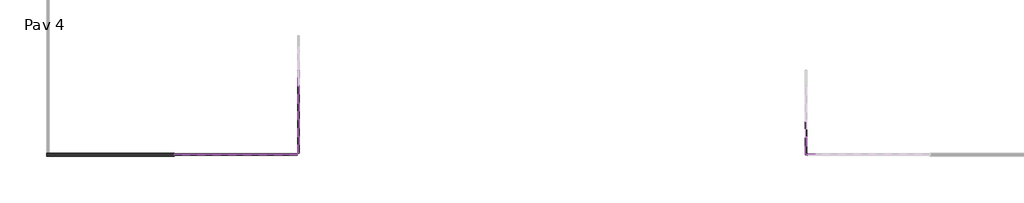
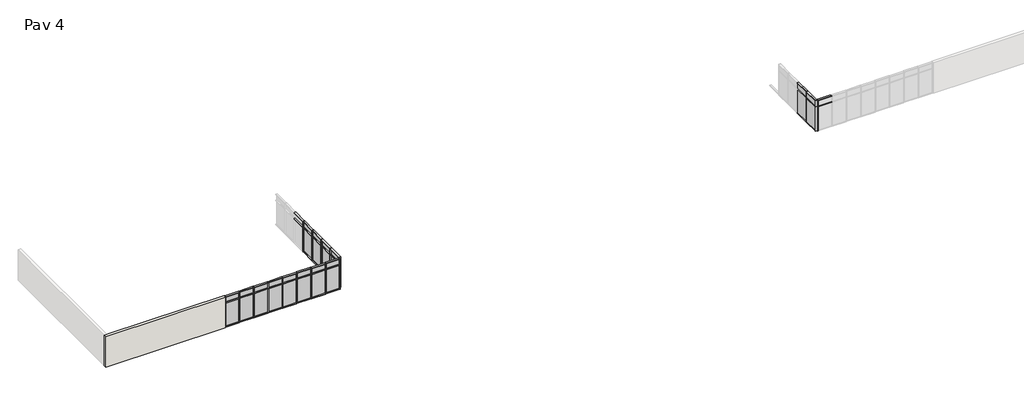
# One storey, part 1 of 12: 79 members, 28 plates, 1 wall.
"""IFC4 building model written with IfcOpenShell, lengths in millimetres."""

import ifcopenshell
import ifcopenshell.guid

model = None  # the IFC model being written
_history = None  # IfcOwnerHistory: only IFC2X3 demands one
_inside = {}  # id of a spatial element -> (the spatial element, [elements in it])
_under = {}  # id of a project, library or spatial element -> (it, [spatial elements below it])
_declared = {}  # id of a project -> (the project, [libraries it declares])
_typed = {}  # id of a type object -> (the type object, [elements of that type])
_made_of = {}  # id of a material, layer set ... -> (it, [elements and type objects made of it])


def new_model(schema):
    """Start an empty IFC model of exactly this schema.

    Asked for "IFC4X3", IfcOpenShell would pick the latest addendum, in which some entities
    have other attributes; the version numbers below select the first issue.
    IFC2X3 requires an IfcOwnerHistory on every rooted entity: one is made here for all.
    """
    global model, _history
    if schema == "IFC4X3":
        model = ifcopenshell.file(schema_version=(4, 3, 0, 0))
    else:
        model = ifcopenshell.file(schema=schema)
    _inside.clear()
    _under.clear()
    _declared.clear()
    _typed.clear()
    _made_of.clear()
    _history = None
    if model.schema == "IFC2X3":
        org = make("IfcOrganization", Name="unknown")
        user = make(
            "IfcPersonAndOrganization",
            ThePerson=make("IfcPerson", FamilyName="unknown"),
            TheOrganization=org,
        )
        app = make(
            "IfcApplication",
            ApplicationDeveloper=org,
            Version="unknown",
            ApplicationFullName="unknown",
            ApplicationIdentifier="unknown",
        )
        _history = make(
            "IfcOwnerHistory",
            OwningUser=user,
            OwningApplication=app,
            ChangeAction="ADDED",
            CreationDate=0,
        )
    return model


def make(cls, **values):
    """One entity of the class cls with the attributes given. An attribute that is None is left unset."""
    return model.create_entity(
        cls, **{name: value for name, value in values.items() if value is not None}
    )


def rooted(cls, **values):
    """An entity with a GlobalId (a new one), such as an element, a storey or a relation."""
    return make(cls, GlobalId=ifcopenshell.guid.new(), OwnerHistory=_history, **values)


def si_unit(unit_type, name, prefix=None):
    """IfcSIUnit, for example si_unit("LENGTHUNIT", "METRE", prefix="MILLI")."""
    return make("IfcSIUnit", UnitType=unit_type, Prefix=prefix, Name=name)


def assignment(units):
    """IfcUnitAssignment: the units of a project."""
    return None if units is None else make("IfcUnitAssignment", Units=units)


def point(xyz):
    """IfcCartesianPoint."""
    return None if xyz is None else make("IfcCartesianPoint", Coordinates=xyz)


def direction(xyz):
    """IfcDirection."""
    return None if xyz is None else make("IfcDirection", DirectionRatios=xyz)


def frame(location, z_axis=None, x_axis=None):
    """IfcAxis2Placement3D, a coordinate frame: its origin and axes. An axis left out is left unset."""
    return make(
        "IfcAxis2Placement3D",
        Location=point(location),
        Axis=direction(z_axis),
        RefDirection=direction(x_axis),
    )


def origin():
    """The frame at (0, 0, 0) with its axes left unset."""
    return frame((0.0, 0.0, 0.0))


def origin_with_axes():
    """The frame at (0, 0, 0) with the z axis (0, 0, 1) and the x axis (1, 0, 0) written out."""
    return frame((0.0, 0.0, 0.0), z_axis=(0.0, 0.0, 1.0), x_axis=(1.0, 0.0, 0.0))


def place(relative_to, where):
    """IfcLocalPlacement: puts the frame where relative to a parent placement (None: the world)."""
    return make(
        "IfcLocalPlacement", PlacementRelTo=relative_to, RelativePlacement=where
    )


def context(
    kind, dimensions, precision=None, world=None, true_north=None, identifier=None
):
    """IfcGeometricRepresentationContext, for example the 3D "Model" context."""
    return make(
        "IfcGeometricRepresentationContext",
        ContextIdentifier=identifier,
        ContextType=kind,
        CoordinateSpaceDimension=dimensions,
        Precision=precision,
        WorldCoordinateSystem=world,
        TrueNorth=true_north,
    )


def project(units=None, contexts=None):
    """IfcProject with its units and contexts."""
    return rooted(
        "IfcProject",
        Name="project",
        RepresentationContexts=contexts,
        UnitsInContext=assignment(units),
    )


def spatial(cls, under=None, at=None, **own):
    """A site, building, storey or space (cls), placed at a placement, below another one or the project."""
    s = rooted(cls, ObjectPlacement=at, **own)
    if under is not None:
        _under.setdefault(under.id(), (under, []))[1].append(s)
    return s


def polyline(points):
    """IfcPolyline through the points."""
    return make("IfcPolyline", Points=[point(p) for p in points])


def outline(outer, holes=None, kind="AREA"):
    """IfcArbitraryClosedProfileDef: a profile drawn as a closed curve; with holes, ...WithVoids."""
    if holes is None:
        return make("IfcArbitraryClosedProfileDef", ProfileType=kind, OuterCurve=outer)
    return make(
        "IfcArbitraryProfileDefWithVoids",
        ProfileType=kind,
        OuterCurve=outer,
        InnerCurves=holes,
    )


def extrude(swept, where, along, depth):
    """IfcExtrudedAreaSolid: the profile swept, set in the frame where, extruded along a direction by depth."""
    return make(
        "IfcExtrudedAreaSolid",
        SweptArea=swept,
        Position=where,
        ExtrudedDirection=direction(along),
        Depth=depth,
    )


def faces_of(points, faces, orient=None, outer=None):
    """IfcFace entities. A face is a list of loops; a loop is a list of indices into points, from 0.

    orient and outer hold one flag for each loop. By default every Orientation is true, the
    first loop of a face is its IfcFaceOuterBound and the others are IfcFaceBound.
    """
    made = []
    for i, loops in enumerate(faces):
        bounds = []
        for j, loop in enumerate(loops):
            is_outer = j == 0 if outer is None else outer[i][j]
            bounds.append(
                make(
                    "IfcFaceOuterBound" if is_outer else "IfcFaceBound",
                    Bound=make("IfcPolyLoop", Polygon=[points[k] for k in loop]),
                    Orientation=True if orient is None else orient[i][j],
                )
            )
        made.append(make("IfcFace", Bounds=bounds))
    return made


def faceted_brep(points, faces, orient=None, outer=None, voids=None):
    """IfcFacetedBrep: a solid bounded by flat faces; with voids (closed shells), ...WithVoids."""
    shared = [point(p) for p in points]
    hull = make("IfcClosedShell", CfsFaces=faces_of(shared, faces, orient, outer))
    if voids is None:
        return make("IfcFacetedBrep", Outer=hull)
    return make(
        "IfcFacetedBrepWithVoids",
        Outer=hull,
        Voids=[
            make(cls, CfsFaces=faces_of(shared, fs, o, b)) for cls, fs, o, b in voids
        ],
    )


def shape(context_of_items, identifier, shape_type, items):
    """IfcShapeRepresentation: the items that make up one representation, for example the "Body"."""
    return make(
        "IfcShapeRepresentation",
        ContextOfItems=context_of_items,
        RepresentationIdentifier=identifier,
        RepresentationType=shape_type,
        Items=items,
    )


def source(mapping_origin, context_of_items, identifier, shape_type, items):
    """IfcRepresentationMap: a shape defined once, which mapped items show again and again."""
    return make(
        "IfcRepresentationMap",
        MappingOrigin=mapping_origin,
        MappedRepresentation=shape(context_of_items, identifier, shape_type, items),
    )


def transform(
    local_origin,
    x_axis=None,
    y_axis=None,
    z_axis=None,
    scale=None,
    scale2=None,
    scale3=None,
    uniform=True,
):
    """IfcCartesianTransformationOperator3D, or its non-uniform kind. x_axis, y_axis, z_axis: its Axis1, 2, 3."""
    if uniform:
        return make(
            "IfcCartesianTransformationOperator3D",
            Axis1=direction(x_axis),
            Axis2=direction(y_axis),
            LocalOrigin=point(local_origin),
            Scale=scale,
            Axis3=direction(z_axis),
        )
    return make(
        "IfcCartesianTransformationOperator3DnonUniform",
        Axis1=direction(x_axis),
        Axis2=direction(y_axis),
        LocalOrigin=point(local_origin),
        Scale=scale,
        Axis3=direction(z_axis),
        Scale2=scale2,
        Scale3=scale3,
    )


def mapped(mapping_source, mapping_target):
    """IfcMappedItem: shows the shape of a source again, moved by a transform."""
    return make(
        "IfcMappedItem", MappingSource=mapping_source, MappingTarget=mapping_target
    )


def made_of(thing, what):
    """Note that an element or type object is made of a material, layer set ...; save() writes the relation."""
    if what is not None:
        _made_of.setdefault(what.id(), (what, []))[1].append(thing)
    return thing


def element(
    cls,
    number,
    at=None,
    inside=None,
    cuts=None,
    type_object=None,
    material=None,
    context=None,
    identifier="Body",
    shape_type=None,
    held_by="IfcProductDefinitionShape",
    body=None,
    shapes=None,
    **own,
):
    """One element of the class cls, such as IfcWall. Its Tag is "e" and its number.

    at: its placement. inside: the storey or other place that contains it. cuts: it is an
    opening in that element (IfcRelVoidsElement). A single representation is given by context,
    identifier, shape_type and body (its items); several are given by shapes. held_by: the class
    of the entity that holds the representations. save() writes the other relations.
    """
    e = rooted(cls, Tag="e%d" % number, ObjectPlacement=at, **own)
    if body is not None:
        shapes = [shape(context, identifier, shape_type, body)]
    if shapes is not None:
        e.Representation = make(held_by, Representations=shapes)
    if inside is not None:
        _inside.setdefault(inside.id(), (inside, []))[1].append(e)
    if cuts is not None:
        rooted(
            "IfcRelVoidsElement", RelatingBuildingElement=cuts, RelatedOpeningElement=e
        )
    if type_object is not None:
        _typed.setdefault(type_object.id(), (type_object, []))[1].append(e)
    return made_of(e, material)


def aggregate(whole, parts):
    """IfcRelAggregates: a whole, such as a stair, and the parts it consists of."""
    return rooted("IfcRelAggregates", RelatingObject=whole, RelatedObjects=parts)


def save(model, path):
    """Write the relations noted so far, then the file.

    IfcRelAggregates (storeys below a building ...), IfcRelContainedInSpatialStructure (elements
    in a storey), IfcRelDefinesByType, IfcRelAssociatesMaterial and IfcRelDeclares: one each for
    every whole, place, type object, material and project.
    """
    for whole, parts in _under.values():
        aggregate(whole, parts)
    for where, things in _inside.values():
        rooted(
            "IfcRelContainedInSpatialStructure",
            RelatedElements=things,
            RelatingStructure=where,
        )
    for kind, things in _typed.values():
        rooted("IfcRelDefinesByType", RelatedObjects=things, RelatingType=kind)
    for what, things in _made_of.values():
        rooted("IfcRelAssociatesMaterial", RelatedObjects=things, RelatingMaterial=what)
    for by, libraries in _declared.values():
        rooted("IfcRelDeclares", RelatingContext=by, RelatedDefinitions=libraries)
    model.write(path)


def rectangular_mullion_50_x_150mm_6225e4e3(model_context):
    return source(origin(), model_context, "Body", "SweptSolid", [
        extrude(outline(polyline([(25.0, 75.0), (25.0, -75.0), (-25.0, -75.0), (-25.0, 75.0), (25.0, 75.0)])), frame((0.0, 0.0, -2400.0), z_axis=(0.0, 0.0, 1.0), x_axis=(1.0, 0.0, 0.0)), (0.0, 0.0, 1.0), 2400.0),
    ])


def rectangular_mullion_50_x_150mm_662c37b1(model_context):
    return source(origin(), model_context, "Body", "SweptSolid", [
        extrude(outline(polyline([(0.0, 75.0), (0.0, -75.0), (-50.0, -75.0), (-50.0, 75.0), (0.0, 75.0)])), frame((0.0, 0.0, -2400.0), z_axis=(0.0, 0.0, 1.0), x_axis=(1.0, 0.0, 0.0)), (0.0, 0.0, 1.0), 2400.0),
    ])


def rectangular_mullion_50_x_150mm_323a7ce7(model_context):
    return source(origin(), model_context, "Body", "SweptSolid", [
        extrude(outline(polyline([(0.0, 75.0), (0.0, -75.0), (-50.0, -75.0), (-50.0, 75.0), (0.0, 75.0)])), frame((0.0, 0.0, -1398.6842105), z_axis=(0.0, 0.0, 1.0), x_axis=(1.0, 0.0, 0.0)), (0.0, 0.0, 1.0), 1398.6842105),
    ])


def rectangular_mullion_50_x_150mm_7c7b8d17(model_context):
    return source(origin(), model_context, "Body", "SweptSolid", [
        extrude(outline(polyline([(0.0, 75.0), (0.0, -75.0), (-50.0, -75.0), (-50.0, 75.0), (0.0, 75.0)])), frame((0.0, 0.0, -1423.6842105), z_axis=(0.0, 0.0, 1.0), x_axis=(1.0, 0.0, 0.0)), (0.0, 0.0, 1.0), 1423.6842105),
    ])


def rectangular_mullion_50_x_150mm_50592593(model_context):
    return source(origin(), model_context, "Body", "SweptSolid", [
        extrude(outline(polyline([(25.0, 75.0), (25.0, -75.0), (-25.0, -75.0), (-25.0, 75.0), (25.0, 75.0)])), frame((0.0, 0.0, -1398.6842105), z_axis=(0.0, 0.0, 1.0), x_axis=(1.0, 0.0, 0.0)), (0.0, 0.0, 1.0), 1398.6842105),
    ])


def rectangular_mullion_50_x_150mm_59cbe5eb(model_context):
    return source(origin(), model_context, "Body", "SweptSolid", [
        extrude(outline(polyline([(0.0, 75.0), (0.0, -75.0), (-50.0, -75.0), (-50.0, 75.0), (0.0, 75.0)])), frame((0.0, 0.0, -1262.5), z_axis=(0.0, 0.0, 1.0), x_axis=(1.0, 0.0, 0.0)), (0.0, 0.0, 1.0), 1262.5),
    ])


def rectangular_mullion_50_x_150mm_72ba9142(model_context):
    return source(origin(), model_context, "Body", "SweptSolid", [
        extrude(outline(polyline([(0.0, 75.0), (0.0, -75.0), (-50.0, -75.0), (-50.0, 75.0), (0.0, 75.0)])), frame((0.0, 0.0, -1287.5), z_axis=(0.0, 0.0, 1.0), x_axis=(1.0, 0.0, 0.0)), (0.0, 0.0, 1.0), 1287.5),
    ])


def rectangular_mullion_50_x_150mm_aec1dccf(model_context):
    return source(origin(), model_context, "Body", "SweptSolid", [
        extrude(outline(polyline([(25.0, 75.0), (25.0, -75.0), (-25.0, -75.0), (-25.0, 75.0), (25.0, 75.0)])), frame((0.0, 0.0, -1262.5), z_axis=(0.0, 0.0, 1.0), x_axis=(1.0, 0.0, 0.0)), (0.0, 0.0, 1.0), 1262.5),
    ])


def rectangular_mullion_50_x_150mm_9d32843e(model_context):
    return source(origin(), model_context, "Body", "SweptSolid", [
        extrude(outline(polyline([(25.0, 75.0), (25.0, -75.0), (-25.0, -75.0), (-25.0, 75.0), (25.0, 75.0)])), frame((0.0, 0.0, -1287.5), z_axis=(0.0, 0.0, 1.0), x_axis=(1.0, 0.0, 0.0)), (0.0, 0.0, 1.0), 1287.5),
    ])


def rectangular_mullion_50_x_150mm_8b0a0560(model_context):
    return source(origin(), model_context, "Body", "SweptSolid", [
        extrude(outline(polyline([(0.0, 75.0), (0.0, -75.0), (-50.0, -75.0), (-50.0, 75.0), (0.0, 75.0)])), frame((0.0, 0.0, -2350.0), z_axis=(0.0, 0.0, 1.0), x_axis=(1.0, 0.0, 0.0)), (0.0, 0.0, 1.0), 2350.0),
    ])


def rectangular_mullion_50_x_150mm_68b3818a(model_context):
    return source(origin(), model_context, "Body", "SweptSolid", [
        extrude(outline(polyline([(25.0, 75.0), (25.0, -75.0), (-25.0, -75.0), (-25.0, 75.0), (25.0, 75.0)])), frame((0.0, 0.0, -600.0), z_axis=(0.0, 0.0, 1.0), x_axis=(1.0, 0.0, 0.0)), (0.0, 0.0, 1.0), 600.0),
    ])


def rectangular_mullion_50_x_150mm_64d38db8(model_context):
    return source(origin(), model_context, "Body", "SweptSolid", [
        extrude(outline(polyline([(0.0, 75.0), (0.0, -75.0), (-50.0, -75.0), (-50.0, 75.0), (0.0, 75.0)])), frame((0.0, 0.0, -600.0), z_axis=(0.0, 0.0, 1.0), x_axis=(1.0, 0.0, 0.0)), (0.0, 0.0, 1.0), 600.0),
    ])


def rectangular_mullion_50_x_150mm_95ea7787(model_context):
    return source(origin(), model_context, "Body", "SweptSolid", [
        extrude(outline(polyline([(0.0, 75.0), (0.0, -75.0), (-50.0, -75.0), (-50.0, 75.0), (0.0, 75.0)])), frame((0.0, 0.0, -1386.8421053), z_axis=(0.0, 0.0, 1.0), x_axis=(1.0, 0.0, 0.0)), (0.0, 0.0, 1.0), 1386.8421053),
    ])


def rectangular_mullion_50_x_150mm_8eb15256(model_context):
    return source(origin(), model_context, "Body", "SweptSolid", [
        extrude(outline(polyline([(0.0, 75.0), (0.0, -75.0), (-50.0, -75.0), (-50.0, 75.0), (0.0, 75.0)])), frame((0.0, 0.0, -1411.8421053), z_axis=(0.0, 0.0, 1.0), x_axis=(1.0, 0.0, 0.0)), (0.0, 0.0, 1.0), 1411.8421053),
    ])


def rectangular_mullion_50_x_150mm_c6a40906(model_context):
    return source(origin(), model_context, "Body", "SweptSolid", [
        extrude(outline(polyline([(0.0, 75.0), (0.0, -75.0), (-50.0, -75.0), (-50.0, 75.0), (0.0, 75.0)])), frame((0.0, 0.0, -1436.8421053), z_axis=(0.0, 0.0, 1.0), x_axis=(1.0, 0.0, 0.0)), (0.0, 0.0, 1.0), 1436.8421053),
    ])


def rectangular_mullion_50_x_150mm_6f85072f(model_context):
    return source(origin(), model_context, "Body", "SweptSolid", [
        extrude(outline(polyline([(25.0, 75.0), (25.0, -75.0), (-25.0, -75.0), (-25.0, 75.0), (25.0, 75.0)])), frame((0.0, 0.0, -1386.8421053), z_axis=(0.0, 0.0, 1.0), x_axis=(1.0, 0.0, 0.0)), (0.0, 0.0, 1.0), 1386.8421053),
    ])


def rectangular_mullion_50_x_150mm_c8002cd6(model_context):
    return source(origin(), model_context, "Body", "SweptSolid", [
        extrude(outline(polyline([(25.0, 75.0), (25.0, -75.0), (-25.0, -75.0), (-25.0, 75.0), (25.0, 75.0)])), frame((0.0, 0.0, -1411.8421053), z_axis=(0.0, 0.0, 1.0), x_axis=(1.0, 0.0, 0.0)), (0.0, 0.0, 1.0), 1411.8421053),
    ])


def system_panel_glazed_656f515c(model_context):
    return source(origin(), model_context, "Body", "SweptSolid", [
        extrude(outline(polyline([(699.3421053, 24.5), (-699.3421053, 24.5), (-699.3421053, 49.5), (699.3421053, 49.5), (699.3421053, 24.5)])), origin_with_axes(), (0.0, 0.0, 1.0), 2325.0),
    ])


def system_panel_glazed_e350fe68(model_context):
    return source(origin(), model_context, "Body", "SweptSolid", [
        extrude(outline(polyline([(711.8421053, 24.5), (-711.8421053, 24.5), (-711.8421053, 49.5), (711.8421053, 49.5), (711.8421053, 24.5)])), origin_with_axes(), (0.0, 0.0, 1.0), 2325.0),
    ])


def system_panel_glazed_5dd155e4(model_context):
    return source(origin(), model_context, "Body", "SweptSolid", [
        extrude(outline(polyline([(631.25, 24.5), (-631.25, 24.5), (-631.25, 49.5), (631.25, 49.5), (631.25, 24.5)])), origin_with_axes(), (0.0, 0.0, 1.0), 2325.0),
    ])


def system_panel_glazed_bb5f2c3c(model_context):
    return source(origin(), model_context, "Body", "SweptSolid", [
        extrude(outline(polyline([(643.75, 24.5), (-643.75, 24.5), (-643.75, 49.5), (643.75, 49.5), (643.75, 24.5)])), origin_with_axes(), (0.0, 0.0, 1.0), 2325.0),
    ])


def system_panel_glazed_02dfb2dd(model_context):
    return source(origin(), model_context, "Body", "SweptSolid", [
        extrude(outline(polyline([(631.25, 24.5), (-631.25, 24.5), (-631.25, 49.5), (631.25, 49.5), (631.25, 24.5)])), origin_with_axes(), (0.0, 0.0, 1.0), 525.0),
    ])


def system_panel_glazed_a7b8456a(model_context):
    return source(origin(), model_context, "Body", "SweptSolid", [
        extrude(outline(polyline([(643.75, 24.5), (-643.75, 24.5), (-643.75, 49.5), (643.75, 49.5), (643.75, 24.5)])), origin_with_axes(), (0.0, 0.0, 1.0), 525.0),
    ])


def system_panel_glazed_5de65db9(model_context):
    return source(origin(), model_context, "Body", "SweptSolid", [
        extrude(outline(polyline([(699.3421053, 24.5), (-699.3421053, 24.5), (-699.3421053, 49.5), (699.3421053, 49.5), (699.3421053, 24.5)])), origin_with_axes(), (0.0, 0.0, 1.0), 525.0),
    ])


def system_panel_glazed_b8c7c870(model_context):
    return source(origin(), model_context, "Body", "SweptSolid", [
        extrude(outline(polyline([(711.8421053, 24.5), (-711.8421053, 24.5), (-711.8421053, 49.5), (711.8421053, 49.5), (711.8421053, 24.5)])), origin_with_axes(), (0.0, 0.0, 1.0), 525.0),
    ])


def system_panel_glazed_f50082bd(model_context):
    return source(origin(), model_context, "Body", "SweptSolid", [
        extrude(outline(polyline([(693.4210526, 24.5), (-693.4210526, 24.5), (-693.4210526, 49.5), (693.4210526, 49.5), (693.4210526, 24.5)])), origin_with_axes(), (0.0, 0.0, 1.0), 2325.0),
    ])


def system_panel_glazed_f9fb9fb3(model_context):
    return source(origin(), model_context, "Body", "SweptSolid", [
        extrude(outline(polyline([(705.9210526, 24.5), (-705.9210526, 24.5), (-705.9210526, 49.5), (705.9210526, 49.5), (705.9210526, 24.5)])), origin_with_axes(), (0.0, 0.0, 1.0), 2325.0),
    ])


def system_panel_glazed_bc94fa0a(model_context):
    return source(origin(), model_context, "Body", "SweptSolid", [
        extrude(outline(polyline([(693.4210526, 24.5), (-693.4210526, 24.5), (-693.4210526, 49.5), (693.4210526, 49.5), (693.4210526, 24.5)])), origin_with_axes(), (0.0, 0.0, 1.0), 525.0),
    ])


def system_panel_glazed_dbb45631(model_context):
    return source(origin(), model_context, "Body", "SweptSolid", [
        extrude(outline(polyline([(705.9210526, 24.5), (-705.9210526, 24.5), (-705.9210526, 49.5), (705.9210526, 49.5), (705.9210526, 24.5)])), origin_with_axes(), (0.0, 0.0, 1.0), 525.0),
    ])


model = new_model("IFC4")

# Units and contexts
model_context = context("Model", 3, world=origin())
ifc_project = project(units=[si_unit("LENGTHUNIT", "METRE", prefix="MILLI")], contexts=[model_context])

# Site, building, storey
site = spatial("IfcSite", under=ifc_project)
building = spatial("IfcBuilding", under=site)
storey = spatial("IfcBuildingStorey", under=building, Name="Pav 4", Elevation=16000.0)

# Members
placement = place(None, origin())
rectangular_mullion_50_x_150mm_shape = rectangular_mullion_50_x_150mm_6225e4e3(model_context)
element("IfcMember", 1, ObjectType="Rectangular Mullion : 50 x 150mm", at=placement, inside=storey, context=model_context, shape_type="MappedRepresentation", body=[
    mapped(rectangular_mullion_50_x_150mm_shape, transform((-12762.3640117, -435.2877583, 16000.0), x_axis=(0.0, -1.0, 0.0), y_axis=(-1.0, 0.0, 0.0), z_axis=(0.0, 0.0, -1.0))),
])
element("IfcMember", 2, ObjectType="Rectangular Mullion : 50 x 150mm", at=placement, inside=storey, context=model_context, shape_type="MappedRepresentation", body=[
    mapped(rectangular_mullion_50_x_150mm_shape, transform((-12762.3640117, -1897.1298636, 16000.0), x_axis=(0.0, -1.0, 0.0), y_axis=(-1.0, 0.0, 0.0), z_axis=(0.0, 0.0, -1.0))),
])
element("IfcMember", 3, ObjectType="Rectangular Mullion : 50 x 150mm", at=placement, inside=storey, context=model_context, shape_type="MappedRepresentation", body=[
    mapped(rectangular_mullion_50_x_150mm_shape, transform((-12762.3640117, -3358.9719688, 16000.0), x_axis=(0.0, -1.0, 0.0), y_axis=(-1.0, 0.0, 0.0), z_axis=(0.0, 0.0, -1.0))),
])
element("IfcMember", 4, ObjectType="Rectangular Mullion : 50 x 150mm", at=placement, inside=storey, context=model_context, shape_type="MappedRepresentation", body=[
    mapped(rectangular_mullion_50_x_150mm_shape, transform((-12762.3640117, -4820.8140741, 16000.0), x_axis=(0.0, -1.0, 0.0), y_axis=(-1.0, 0.0, 0.0), z_axis=(0.0, 0.0, -1.0))),
])
element("IfcMember", 5, ObjectType="Rectangular Mullion : 50 x 150mm", at=placement, inside=storey, context=model_context, shape_type="MappedRepresentation", body=[
    mapped(rectangular_mullion_50_x_150mm_shape, transform((31437.6359883, -4933.9719688, 16000.0), x_axis=(0.0, 1.0, 0.0), y_axis=(1.0, 0.0, 0.0), z_axis=(0.0, 0.0, -1.0))),
])
element("IfcMember", 6, ObjectType="Rectangular Mullion : 50 x 150mm", at=placement, inside=storey, context=model_context, shape_type="MappedRepresentation", body=[
    mapped(rectangular_mullion_50_x_150mm_shape, transform((-22224.8640117, -6407.6561793, 16000.0), x_axis=(1.0, 0.0, 0.0), y_axis=(0.0, -1.0, 0.0), z_axis=(0.0, 0.0, -1.0))),
])
element("IfcMember", 7, ObjectType="Rectangular Mullion : 50 x 150mm", at=placement, inside=storey, context=model_context, shape_type="MappedRepresentation", body=[
    mapped(rectangular_mullion_50_x_150mm_shape, transform((-20887.3640117, -6407.6561793, 16000.0), x_axis=(1.0, 0.0, 0.0), y_axis=(0.0, -1.0, 0.0), z_axis=(0.0, 0.0, -1.0))),
])
element("IfcMember", 8, ObjectType="Rectangular Mullion : 50 x 150mm", at=placement, inside=storey, context=model_context, shape_type="MappedRepresentation", body=[
    mapped(rectangular_mullion_50_x_150mm_shape, transform((-19549.8640117, -6407.6561793, 16000.0), x_axis=(1.0, 0.0, 0.0), y_axis=(0.0, -1.0, 0.0), z_axis=(0.0, 0.0, -1.0))),
])
element("IfcMember", 9, ObjectType="Rectangular Mullion : 50 x 150mm", at=placement, inside=storey, context=model_context, shape_type="MappedRepresentation", body=[
    mapped(rectangular_mullion_50_x_150mm_shape, transform((-18212.3640117, -6407.6561793, 16000.0), x_axis=(1.0, 0.0, 0.0), y_axis=(0.0, -1.0, 0.0), z_axis=(0.0, 0.0, -1.0))),
])
element("IfcMember", 10, ObjectType="Rectangular Mullion : 50 x 150mm", at=placement, inside=storey, context=model_context, shape_type="MappedRepresentation", body=[
    mapped(rectangular_mullion_50_x_150mm_shape, transform((-16874.8640117, -6407.6561793, 16000.0), x_axis=(1.0, 0.0, 0.0), y_axis=(0.0, -1.0, 0.0), z_axis=(0.0, 0.0, -1.0))),
])
element("IfcMember", 11, ObjectType="Rectangular Mullion : 50 x 150mm", at=placement, inside=storey, context=model_context, shape_type="MappedRepresentation", body=[
    mapped(rectangular_mullion_50_x_150mm_shape, transform((-15537.3640117, -6407.6561793, 16000.0), x_axis=(1.0, 0.0, 0.0), y_axis=(0.0, -1.0, 0.0), z_axis=(0.0, 0.0, -1.0))),
])
element("IfcMember", 12, ObjectType="Rectangular Mullion : 50 x 150mm", at=placement, inside=storey, context=model_context, shape_type="MappedRepresentation", body=[
    mapped(rectangular_mullion_50_x_150mm_shape, transform((-14199.8640117, -6407.6561793, 16000.0), x_axis=(1.0, 0.0, 0.0), y_axis=(0.0, -1.0, 0.0), z_axis=(0.0, 0.0, -1.0))),
])
rectangular_mullion_50_x_150mm_2_shape = rectangular_mullion_50_x_150mm_662c37b1(model_context)
element("IfcMember", 13, ObjectType="Rectangular Mullion : 50 x 150mm", at=placement, inside=storey, context=model_context, shape_type="MappedRepresentation", body=[
    mapped(rectangular_mullion_50_x_150mm_2_shape, transform((31537.6359883, -6407.6561793, 16000.0), x_axis=(-1.0, 0.0, 0.0), y_axis=(0.0, 1.0, 0.0), z_axis=(0.0, 0.0, -1.0))),
])
element("IfcMember", 14, ObjectType="Rectangular Mullion : 50 x 150mm", at=placement, inside=storey, context=model_context, shape_type="MappedRepresentation", body=[
    mapped(rectangular_mullion_50_x_150mm_2_shape, transform((-12862.3640117, -6407.6561793, 16000.0), x_axis=(1.0, 0.0, 0.0), y_axis=(0.0, -1.0, 0.0), z_axis=(0.0, 0.0, -1.0))),
])
element("IfcMember", 15, ObjectType="Rectangular Mullion : 50 x 150mm", at=placement, inside=storey, context=model_context, shape_type="MappedRepresentation", body=[
    mapped(rectangular_mullion_50_x_150mm_2_shape, transform((31437.6359883, -6407.6561793, 18400.0), x_axis=(0.0, -1.0, 0.0), y_axis=(1.0, 0.0, 0.0), z_axis=(0.0, 0.0, 1.0))),
])
element("IfcMember", 16, ObjectType="Rectangular Mullion : 50 x 150mm", at=placement, inside=storey, context=model_context, shape_type="MappedRepresentation", body=[
    mapped(rectangular_mullion_50_x_150mm_2_shape, transform((-23562.3640117, -6407.6561793, 18400.0), x_axis=(-1.0, 0.0, 0.0), y_axis=(0.0, -1.0, 0.0), z_axis=(0.0, 0.0, 1.0))),
])
rectangular_mullion_50_x_150mm_3_shape = rectangular_mullion_50_x_150mm_323a7ce7(model_context)
element("IfcMember", 17, ObjectType="Rectangular Mullion : 50 x 150mm", at=placement, inside=storey, context=model_context, shape_type="MappedRepresentation", body=[
    mapped(rectangular_mullion_50_x_150mm_3_shape, transform((31437.6359883, -4958.9719688, 19000.0), x_axis=(0.0, 0.0, 1.0), y_axis=(1.0, 0.0, 0.0), z_axis=(0.0, 1.0, 0.0))),
])
element("IfcMember", 18, ObjectType="Rectangular Mullion : 50 x 150mm", at=placement, inside=storey, context=model_context, shape_type="MappedRepresentation", body=[
    mapped(rectangular_mullion_50_x_150mm_3_shape, transform((31437.6359883, -6357.6561793, 16000.0), x_axis=(0.0, 0.0, -1.0), y_axis=(1.0, 0.0, 0.0), z_axis=(0.0, -1.0, 0.0))),
])
rectangular_mullion_50_x_150mm_4_shape = rectangular_mullion_50_x_150mm_7c7b8d17(model_context)
element("IfcMember", 19, ObjectType="Rectangular Mullion : 50 x 150mm", at=placement, inside=storey, context=model_context, shape_type="MappedRepresentation", body=[
    mapped(rectangular_mullion_50_x_150mm_4_shape, transform((31437.6359883, -3485.2877583, 19000.0), x_axis=(0.0, 0.0, 1.0), y_axis=(1.0, 0.0, 0.0), z_axis=(0.0, 1.0, 0.0))),
])
element("IfcMember", 20, ObjectType="Rectangular Mullion : 50 x 150mm", at=placement, inside=storey, context=model_context, shape_type="MappedRepresentation", body=[
    mapped(rectangular_mullion_50_x_150mm_4_shape, transform((31437.6359883, -4908.9719688, 16000.0), x_axis=(0.0, 0.0, -1.0), y_axis=(1.0, 0.0, 0.0), z_axis=(0.0, -1.0, 0.0))),
])
rectangular_mullion_50_x_150mm_5_shape = rectangular_mullion_50_x_150mm_50592593(model_context)
element("IfcMember", 21, ObjectType="Rectangular Mullion : 50 x 150mm", at=placement, inside=storey, context=model_context, shape_type="MappedRepresentation", body=[
    mapped(rectangular_mullion_50_x_150mm_5_shape, transform((31437.6359883, -4958.9719688, 18400.0), x_axis=(0.0, 0.0, 1.0), y_axis=(1.0, 0.0, 0.0), z_axis=(0.0, 1.0, 0.0))),
])
rectangular_mullion_50_x_150mm_6_shape = rectangular_mullion_50_x_150mm_59cbe5eb(model_context)
element("IfcMember", 22, ObjectType="Rectangular Mullion : 50 x 150mm", at=placement, inside=storey, context=model_context, shape_type="MappedRepresentation", body=[
    mapped(rectangular_mullion_50_x_150mm_6_shape, transform((31587.6359883, -6407.6561793, 19000.0), x_axis=(0.0, 0.0, 1.0), y_axis=(0.0, 1.0, 0.0), z_axis=(-1.0, 0.0, 0.0))),
])
element("IfcMember", 23, ObjectType="Rectangular Mullion : 50 x 150mm", at=placement, inside=storey, context=model_context, shape_type="MappedRepresentation", body=[
    mapped(rectangular_mullion_50_x_150mm_6_shape, transform((-12912.3640117, -6407.6561793, 19000.0), x_axis=(0.0, 0.0, 1.0), y_axis=(0.0, -1.0, 0.0), z_axis=(1.0, 0.0, 0.0))),
])
element("IfcMember", 24, ObjectType="Rectangular Mullion : 50 x 150mm", at=placement, inside=storey, context=model_context, shape_type="MappedRepresentation", body=[
    mapped(rectangular_mullion_50_x_150mm_6_shape, transform((-22249.8640117, -6407.6561793, 19000.0), x_axis=(0.0, 0.0, 1.0), y_axis=(0.0, -1.0, 0.0), z_axis=(1.0, 0.0, 0.0))),
])
rectangular_mullion_50_x_150mm_7_shape = rectangular_mullion_50_x_150mm_72ba9142(model_context)
element("IfcMember", 25, ObjectType="Rectangular Mullion : 50 x 150mm", at=placement, inside=storey, context=model_context, shape_type="MappedRepresentation", body=[
    mapped(rectangular_mullion_50_x_150mm_7_shape, transform((-20912.3640117, -6407.6561793, 19000.0), x_axis=(0.0, 0.0, 1.0), y_axis=(0.0, -1.0, 0.0), z_axis=(1.0, 0.0, 0.0))),
])
element("IfcMember", 26, ObjectType="Rectangular Mullion : 50 x 150mm", at=placement, inside=storey, context=model_context, shape_type="MappedRepresentation", body=[
    mapped(rectangular_mullion_50_x_150mm_7_shape, transform((-19574.8640117, -6407.6561793, 19000.0), x_axis=(0.0, 0.0, 1.0), y_axis=(0.0, -1.0, 0.0), z_axis=(1.0, 0.0, 0.0))),
])
element("IfcMember", 27, ObjectType="Rectangular Mullion : 50 x 150mm", at=placement, inside=storey, context=model_context, shape_type="MappedRepresentation", body=[
    mapped(rectangular_mullion_50_x_150mm_7_shape, transform((-18237.3640117, -6407.6561793, 19000.0), x_axis=(0.0, 0.0, 1.0), y_axis=(0.0, -1.0, 0.0), z_axis=(1.0, 0.0, 0.0))),
])
element("IfcMember", 28, ObjectType="Rectangular Mullion : 50 x 150mm", at=placement, inside=storey, context=model_context, shape_type="MappedRepresentation", body=[
    mapped(rectangular_mullion_50_x_150mm_7_shape, transform((-16899.8640117, -6407.6561793, 19000.0), x_axis=(0.0, 0.0, 1.0), y_axis=(0.0, -1.0, 0.0), z_axis=(1.0, 0.0, 0.0))),
])
element("IfcMember", 29, ObjectType="Rectangular Mullion : 50 x 150mm", at=placement, inside=storey, context=model_context, shape_type="MappedRepresentation", body=[
    mapped(rectangular_mullion_50_x_150mm_7_shape, transform((-15562.3640117, -6407.6561793, 19000.0), x_axis=(0.0, 0.0, 1.0), y_axis=(0.0, -1.0, 0.0), z_axis=(1.0, 0.0, 0.0))),
])
element("IfcMember", 30, ObjectType="Rectangular Mullion : 50 x 150mm", at=placement, inside=storey, context=model_context, shape_type="MappedRepresentation", body=[
    mapped(rectangular_mullion_50_x_150mm_7_shape, transform((-14224.8640117, -6407.6561793, 19000.0), x_axis=(0.0, 0.0, 1.0), y_axis=(0.0, -1.0, 0.0), z_axis=(1.0, 0.0, 0.0))),
])
element("IfcMember", 31, ObjectType="Rectangular Mullion : 50 x 150mm", at=placement, inside=storey, context=model_context, shape_type="MappedRepresentation", body=[
    mapped(rectangular_mullion_50_x_150mm_6_shape, transform((-23512.3640117, -6407.6561793, 16000.0), x_axis=(0.0, 0.0, -1.0), y_axis=(0.0, -1.0, 0.0), z_axis=(-1.0, 0.0, 0.0))),
])
element("IfcMember", 32, ObjectType="Rectangular Mullion : 50 x 150mm", at=placement, inside=storey, context=model_context, shape_type="MappedRepresentation", body=[
    mapped(rectangular_mullion_50_x_150mm_6_shape, transform((-14174.8640117, -6407.6561793, 16000.0), x_axis=(0.0, 0.0, -1.0), y_axis=(0.0, -1.0, 0.0), z_axis=(-1.0, 0.0, 0.0))),
])
element("IfcMember", 33, ObjectType="Rectangular Mullion : 50 x 150mm", at=placement, inside=storey, context=model_context, shape_type="MappedRepresentation", body=[
    mapped(rectangular_mullion_50_x_150mm_7_shape, transform((-22199.8640117, -6407.6561793, 16000.0), x_axis=(0.0, 0.0, -1.0), y_axis=(0.0, -1.0, 0.0), z_axis=(-1.0, 0.0, 0.0))),
])
element("IfcMember", 34, ObjectType="Rectangular Mullion : 50 x 150mm", at=placement, inside=storey, context=model_context, shape_type="MappedRepresentation", body=[
    mapped(rectangular_mullion_50_x_150mm_7_shape, transform((-20862.3640117, -6407.6561793, 16000.0), x_axis=(0.0, 0.0, -1.0), y_axis=(0.0, -1.0, 0.0), z_axis=(-1.0, 0.0, 0.0))),
])
element("IfcMember", 35, ObjectType="Rectangular Mullion : 50 x 150mm", at=placement, inside=storey, context=model_context, shape_type="MappedRepresentation", body=[
    mapped(rectangular_mullion_50_x_150mm_7_shape, transform((-19524.8640117, -6407.6561793, 16000.0), x_axis=(0.0, 0.0, -1.0), y_axis=(0.0, -1.0, 0.0), z_axis=(-1.0, 0.0, 0.0))),
])
element("IfcMember", 36, ObjectType="Rectangular Mullion : 50 x 150mm", at=placement, inside=storey, context=model_context, shape_type="MappedRepresentation", body=[
    mapped(rectangular_mullion_50_x_150mm_7_shape, transform((-18187.3640117, -6407.6561793, 16000.0), x_axis=(0.0, 0.0, -1.0), y_axis=(0.0, -1.0, 0.0), z_axis=(-1.0, 0.0, 0.0))),
])
element("IfcMember", 37, ObjectType="Rectangular Mullion : 50 x 150mm", at=placement, inside=storey, context=model_context, shape_type="MappedRepresentation", body=[
    mapped(rectangular_mullion_50_x_150mm_7_shape, transform((-16849.8640117, -6407.6561793, 16000.0), x_axis=(0.0, 0.0, -1.0), y_axis=(0.0, -1.0, 0.0), z_axis=(-1.0, 0.0, 0.0))),
])
element("IfcMember", 38, ObjectType="Rectangular Mullion : 50 x 150mm", at=placement, inside=storey, context=model_context, shape_type="MappedRepresentation", body=[
    mapped(rectangular_mullion_50_x_150mm_7_shape, transform((-15512.3640117, -6407.6561793, 16000.0), x_axis=(0.0, 0.0, -1.0), y_axis=(0.0, -1.0, 0.0), z_axis=(-1.0, 0.0, 0.0))),
])
rectangular_mullion_50_x_150mm_8_shape = rectangular_mullion_50_x_150mm_aec1dccf(model_context)
element("IfcMember", 39, ObjectType="Rectangular Mullion : 50 x 150mm", at=placement, inside=storey, context=model_context, shape_type="MappedRepresentation", body=[
    mapped(rectangular_mullion_50_x_150mm_8_shape, transform((31587.6359883, -6407.6561793, 18400.0), x_axis=(0.0, 0.0, 1.0), y_axis=(0.0, 1.0, 0.0), z_axis=(-1.0, 0.0, 0.0))),
])
element("IfcMember", 40, ObjectType="Rectangular Mullion : 50 x 150mm", at=placement, inside=storey, context=model_context, shape_type="MappedRepresentation", body=[
    mapped(rectangular_mullion_50_x_150mm_8_shape, transform((-22249.8640117, -6407.6561793, 18400.0), x_axis=(0.0, 0.0, 1.0), y_axis=(0.0, -1.0, 0.0), z_axis=(1.0, 0.0, 0.0))),
])
element("IfcMember", 41, ObjectType="Rectangular Mullion : 50 x 150mm", at=placement, inside=storey, context=model_context, shape_type="MappedRepresentation", body=[
    mapped(rectangular_mullion_50_x_150mm_8_shape, transform((-12912.3640117, -6407.6561793, 18400.0), x_axis=(0.0, 0.0, 1.0), y_axis=(0.0, -1.0, 0.0), z_axis=(1.0, 0.0, 0.0))),
])
rectangular_mullion_50_x_150mm_9_shape = rectangular_mullion_50_x_150mm_9d32843e(model_context)
element("IfcMember", 42, ObjectType="Rectangular Mullion : 50 x 150mm", at=placement, inside=storey, context=model_context, shape_type="MappedRepresentation", body=[
    mapped(rectangular_mullion_50_x_150mm_9_shape, transform((-20912.3640117, -6407.6561793, 18400.0), x_axis=(0.0, 0.0, 1.0), y_axis=(0.0, -1.0, 0.0), z_axis=(1.0, 0.0, 0.0))),
])
element("IfcMember", 43, ObjectType="Rectangular Mullion : 50 x 150mm", at=placement, inside=storey, context=model_context, shape_type="MappedRepresentation", body=[
    mapped(rectangular_mullion_50_x_150mm_9_shape, transform((-19574.8640117, -6407.6561793, 18400.0), x_axis=(0.0, 0.0, 1.0), y_axis=(0.0, -1.0, 0.0), z_axis=(1.0, 0.0, 0.0))),
])
element("IfcMember", 44, ObjectType="Rectangular Mullion : 50 x 150mm", at=placement, inside=storey, context=model_context, shape_type="MappedRepresentation", body=[
    mapped(rectangular_mullion_50_x_150mm_9_shape, transform((-18237.3640117, -6407.6561793, 18400.0), x_axis=(0.0, 0.0, 1.0), y_axis=(0.0, -1.0, 0.0), z_axis=(1.0, 0.0, 0.0))),
])
element("IfcMember", 45, ObjectType="Rectangular Mullion : 50 x 150mm", at=placement, inside=storey, context=model_context, shape_type="MappedRepresentation", body=[
    mapped(rectangular_mullion_50_x_150mm_9_shape, transform((-16899.8640117, -6407.6561793, 18400.0), x_axis=(0.0, 0.0, 1.0), y_axis=(0.0, -1.0, 0.0), z_axis=(1.0, 0.0, 0.0))),
])
element("IfcMember", 46, ObjectType="Rectangular Mullion : 50 x 150mm", at=placement, inside=storey, context=model_context, shape_type="MappedRepresentation", body=[
    mapped(rectangular_mullion_50_x_150mm_9_shape, transform((-15562.3640117, -6407.6561793, 18400.0), x_axis=(0.0, 0.0, 1.0), y_axis=(0.0, -1.0, 0.0), z_axis=(1.0, 0.0, 0.0))),
])
element("IfcMember", 47, ObjectType="Rectangular Mullion : 50 x 150mm", at=placement, inside=storey, context=model_context, shape_type="MappedRepresentation", body=[
    mapped(rectangular_mullion_50_x_150mm_9_shape, transform((-14224.8640117, -6407.6561793, 18400.0), x_axis=(0.0, 0.0, 1.0), y_axis=(0.0, -1.0, 0.0), z_axis=(1.0, 0.0, 0.0))),
])
rectangular_mullion_50_x_150mm_10_shape = rectangular_mullion_50_x_150mm_8b0a0560(model_context)
element("IfcMember", 48, ObjectType="Rectangular Mullion : 50 x 150mm", at=placement, inside=storey, context=model_context, shape_type="MappedRepresentation", body=[
    mapped(rectangular_mullion_50_x_150mm_10_shape, transform((-12762.3640117, -6282.6561793, 16050.0), x_axis=(0.0, -1.0, 0.0), y_axis=(-1.0, 0.0, 0.0), z_axis=(0.0, 0.0, -1.0))),
])
rectangular_mullion_50_x_150mm_11_shape = rectangular_mullion_50_x_150mm_68b3818a(model_context)
element("IfcMember", 49, ObjectType="Rectangular Mullion : 50 x 150mm", at=placement, inside=storey, context=model_context, shape_type="MappedRepresentation", body=[
    mapped(rectangular_mullion_50_x_150mm_11_shape, transform((-12762.3640117, -435.2877583, 18400.0), x_axis=(0.0, -1.0, 0.0), y_axis=(-1.0, 0.0, 0.0), z_axis=(0.0, 0.0, -1.0))),
])
element("IfcMember", 50, ObjectType="Rectangular Mullion : 50 x 150mm", at=placement, inside=storey, context=model_context, shape_type="MappedRepresentation", body=[
    mapped(rectangular_mullion_50_x_150mm_11_shape, transform((-12762.3640117, -1897.1298636, 18400.0), x_axis=(0.0, -1.0, 0.0), y_axis=(-1.0, 0.0, 0.0), z_axis=(0.0, 0.0, -1.0))),
])
element("IfcMember", 51, ObjectType="Rectangular Mullion : 50 x 150mm", at=placement, inside=storey, context=model_context, shape_type="MappedRepresentation", body=[
    mapped(rectangular_mullion_50_x_150mm_11_shape, transform((-12762.3640117, -3358.9719688, 18400.0), x_axis=(0.0, -1.0, 0.0), y_axis=(-1.0, 0.0, 0.0), z_axis=(0.0, 0.0, -1.0))),
])
element("IfcMember", 52, ObjectType="Rectangular Mullion : 50 x 150mm", at=placement, inside=storey, context=model_context, shape_type="MappedRepresentation", body=[
    mapped(rectangular_mullion_50_x_150mm_11_shape, transform((-12762.3640117, -4820.8140741, 18400.0), x_axis=(0.0, -1.0, 0.0), y_axis=(-1.0, 0.0, 0.0), z_axis=(0.0, 0.0, -1.0))),
])
element("IfcMember", 53, ObjectType="Rectangular Mullion : 50 x 150mm", at=placement, inside=storey, context=model_context, shape_type="MappedRepresentation", body=[
    mapped(rectangular_mullion_50_x_150mm_11_shape, transform((31437.6359883, -4933.9719688, 18400.0), x_axis=(0.0, 1.0, 0.0), y_axis=(1.0, 0.0, 0.0), z_axis=(0.0, 0.0, -1.0))),
])
element("IfcMember", 54, ObjectType="Rectangular Mullion : 50 x 150mm", at=placement, inside=storey, context=model_context, shape_type="MappedRepresentation", body=[
    mapped(rectangular_mullion_50_x_150mm_11_shape, transform((-22224.8640117, -6407.6561793, 18400.0), x_axis=(1.0, 0.0, 0.0), y_axis=(0.0, -1.0, 0.0), z_axis=(0.0, 0.0, -1.0))),
])
element("IfcMember", 55, ObjectType="Rectangular Mullion : 50 x 150mm", at=placement, inside=storey, context=model_context, shape_type="MappedRepresentation", body=[
    mapped(rectangular_mullion_50_x_150mm_11_shape, transform((-20887.3640117, -6407.6561793, 18400.0), x_axis=(1.0, 0.0, 0.0), y_axis=(0.0, -1.0, 0.0), z_axis=(0.0, 0.0, -1.0))),
])
element("IfcMember", 56, ObjectType="Rectangular Mullion : 50 x 150mm", at=placement, inside=storey, context=model_context, shape_type="MappedRepresentation", body=[
    mapped(rectangular_mullion_50_x_150mm_11_shape, transform((-19549.8640117, -6407.6561793, 18400.0), x_axis=(1.0, 0.0, 0.0), y_axis=(0.0, -1.0, 0.0), z_axis=(0.0, 0.0, -1.0))),
])
element("IfcMember", 57, ObjectType="Rectangular Mullion : 50 x 150mm", at=placement, inside=storey, context=model_context, shape_type="MappedRepresentation", body=[
    mapped(rectangular_mullion_50_x_150mm_11_shape, transform((-18212.3640117, -6407.6561793, 18400.0), x_axis=(1.0, 0.0, 0.0), y_axis=(0.0, -1.0, 0.0), z_axis=(0.0, 0.0, -1.0))),
])
element("IfcMember", 58, ObjectType="Rectangular Mullion : 50 x 150mm", at=placement, inside=storey, context=model_context, shape_type="MappedRepresentation", body=[
    mapped(rectangular_mullion_50_x_150mm_11_shape, transform((-16874.8640117, -6407.6561793, 18400.0), x_axis=(1.0, 0.0, 0.0), y_axis=(0.0, -1.0, 0.0), z_axis=(0.0, 0.0, -1.0))),
])
element("IfcMember", 59, ObjectType="Rectangular Mullion : 50 x 150mm", at=placement, inside=storey, context=model_context, shape_type="MappedRepresentation", body=[
    mapped(rectangular_mullion_50_x_150mm_11_shape, transform((-15537.3640117, -6407.6561793, 18400.0), x_axis=(1.0, 0.0, 0.0), y_axis=(0.0, -1.0, 0.0), z_axis=(0.0, 0.0, -1.0))),
])
element("IfcMember", 60, ObjectType="Rectangular Mullion : 50 x 150mm", at=placement, inside=storey, context=model_context, shape_type="MappedRepresentation", body=[
    mapped(rectangular_mullion_50_x_150mm_11_shape, transform((-14199.8640117, -6407.6561793, 18400.0), x_axis=(1.0, 0.0, 0.0), y_axis=(0.0, -1.0, 0.0), z_axis=(0.0, 0.0, -1.0))),
])
rectangular_mullion_50_x_150mm_12_shape = rectangular_mullion_50_x_150mm_64d38db8(model_context)
element("IfcMember", 61, ObjectType="Rectangular Mullion : 50 x 150mm", at=placement, inside=storey, context=model_context, shape_type="MappedRepresentation", body=[
    mapped(rectangular_mullion_50_x_150mm_12_shape, transform((31437.6359883, -6407.6561793, 19000.0), x_axis=(0.0, -1.0, 0.0), y_axis=(1.0, 0.0, 0.0), z_axis=(0.0, 0.0, 1.0))),
])
element("IfcMember", 62, ObjectType="Rectangular Mullion : 50 x 150mm", at=placement, inside=storey, context=model_context, shape_type="MappedRepresentation", body=[
    mapped(rectangular_mullion_50_x_150mm_12_shape, transform((-23562.3640117, -6407.6561793, 19000.0), x_axis=(-1.0, 0.0, 0.0), y_axis=(0.0, -1.0, 0.0), z_axis=(0.0, 0.0, 1.0))),
])
element("IfcMember", 63, ObjectType="Rectangular Mullion : 50 x 150mm", at=placement, inside=storey, context=model_context, shape_type="MappedRepresentation", body=[
    mapped(rectangular_mullion_50_x_150mm_12_shape, transform((-12762.3640117, -6282.6561793, 18400.0), x_axis=(0.0, -1.0, 0.0), y_axis=(-1.0, 0.0, 0.0), z_axis=(0.0, 0.0, -1.0))),
])
element("IfcMember", 64, ObjectType="Rectangular Mullion : 50 x 150mm", at=placement, inside=storey, context=model_context, shape_type="MappedRepresentation", body=[
    mapped(rectangular_mullion_50_x_150mm_12_shape, transform((31537.6359883, -6407.6561793, 18400.0), x_axis=(-1.0, 0.0, 0.0), y_axis=(0.0, 1.0, 0.0), z_axis=(0.0, 0.0, -1.0))),
])
element("IfcMember", 65, ObjectType="Rectangular Mullion : 50 x 150mm", at=placement, inside=storey, context=model_context, shape_type="MappedRepresentation", body=[
    mapped(rectangular_mullion_50_x_150mm_12_shape, transform((-12862.3640117, -6407.6561793, 18400.0), x_axis=(1.0, 0.0, 0.0), y_axis=(0.0, -1.0, 0.0), z_axis=(0.0, 0.0, -1.0))),
])
rectangular_mullion_50_x_150mm_13_shape = rectangular_mullion_50_x_150mm_95ea7787(model_context)
element("IfcMember", 66, ObjectType="Rectangular Mullion : 50 x 150mm", at=placement, inside=storey, context=model_context, shape_type="MappedRepresentation", body=[
    mapped(rectangular_mullion_50_x_150mm_13_shape, transform((-12762.3640117, -6232.6561793, 19000.0), x_axis=(0.0, 0.0, 1.0), y_axis=(-1.0, 0.0, 0.0), z_axis=(0.0, -1.0, 0.0))),
])
rectangular_mullion_50_x_150mm_14_shape = rectangular_mullion_50_x_150mm_8eb15256(model_context)
element("IfcMember", 67, ObjectType="Rectangular Mullion : 50 x 150mm", at=placement, inside=storey, context=model_context, shape_type="MappedRepresentation", body=[
    mapped(rectangular_mullion_50_x_150mm_14_shape, transform((-12762.3640117, -410.2877583, 19000.0), x_axis=(0.0, 0.0, 1.0), y_axis=(-1.0, 0.0, 0.0), z_axis=(0.0, -1.0, 0.0))),
])
element("IfcMember", 68, ObjectType="Rectangular Mullion : 50 x 150mm", at=placement, inside=storey, context=model_context, shape_type="MappedRepresentation", body=[
    mapped(rectangular_mullion_50_x_150mm_14_shape, transform((-12762.3640117, -1872.1298636, 19000.0), x_axis=(0.0, 0.0, 1.0), y_axis=(-1.0, 0.0, 0.0), z_axis=(0.0, -1.0, 0.0))),
])
element("IfcMember", 69, ObjectType="Rectangular Mullion : 50 x 150mm", at=placement, inside=storey, context=model_context, shape_type="MappedRepresentation", body=[
    mapped(rectangular_mullion_50_x_150mm_14_shape, transform((-12762.3640117, -3333.9719688, 19000.0), x_axis=(0.0, 0.0, 1.0), y_axis=(-1.0, 0.0, 0.0), z_axis=(0.0, -1.0, 0.0))),
])
element("IfcMember", 70, ObjectType="Rectangular Mullion : 50 x 150mm", at=placement, inside=storey, context=model_context, shape_type="MappedRepresentation", body=[
    mapped(rectangular_mullion_50_x_150mm_14_shape, transform((-12762.3640117, -4795.8140741, 19000.0), x_axis=(0.0, 0.0, 1.0), y_axis=(-1.0, 0.0, 0.0), z_axis=(0.0, -1.0, 0.0))),
])
element("IfcMember", 71, ObjectType="Rectangular Mullion : 50 x 150mm", at=placement, inside=storey, context=model_context, shape_type="MappedRepresentation", body=[
    mapped(rectangular_mullion_50_x_150mm_14_shape, transform((-12762.3640117, -460.2877583, 16000.0), x_axis=(0.0, 0.0, -1.0), y_axis=(-1.0, 0.0, 0.0), z_axis=(0.0, 1.0, 0.0))),
])
element("IfcMember", 72, ObjectType="Rectangular Mullion : 50 x 150mm", at=placement, inside=storey, context=model_context, shape_type="MappedRepresentation", body=[
    mapped(rectangular_mullion_50_x_150mm_14_shape, transform((-12762.3640117, -1922.1298636, 16000.0), x_axis=(0.0, 0.0, -1.0), y_axis=(-1.0, 0.0, 0.0), z_axis=(0.0, 1.0, 0.0))),
])
element("IfcMember", 73, ObjectType="Rectangular Mullion : 50 x 150mm", at=placement, inside=storey, context=model_context, shape_type="MappedRepresentation", body=[
    mapped(rectangular_mullion_50_x_150mm_14_shape, transform((-12762.3640117, -3383.9719688, 16000.0), x_axis=(0.0, 0.0, -1.0), y_axis=(-1.0, 0.0, 0.0), z_axis=(0.0, 1.0, 0.0))),
])
rectangular_mullion_50_x_150mm_15_shape = rectangular_mullion_50_x_150mm_c6a40906(model_context)
element("IfcMember", 74, ObjectType="Rectangular Mullion : 50 x 150mm", at=placement, inside=storey, context=model_context, shape_type="MappedRepresentation", body=[
    mapped(rectangular_mullion_50_x_150mm_15_shape, transform((-12762.3640117, -4845.8140741, 16000.0), x_axis=(0.0, 0.0, -1.0), y_axis=(-1.0, 0.0, 0.0), z_axis=(0.0, 1.0, 0.0))),
])
rectangular_mullion_50_x_150mm_16_shape = rectangular_mullion_50_x_150mm_6f85072f(model_context)
element("IfcMember", 75, ObjectType="Rectangular Mullion : 50 x 150mm", at=placement, inside=storey, context=model_context, shape_type="MappedRepresentation", body=[
    mapped(rectangular_mullion_50_x_150mm_16_shape, transform((-12762.3640117, -6232.6561793, 18400.0), x_axis=(0.0, 0.0, 1.0), y_axis=(-1.0, 0.0, 0.0), z_axis=(0.0, -1.0, 0.0))),
])
rectangular_mullion_50_x_150mm_17_shape = rectangular_mullion_50_x_150mm_c8002cd6(model_context)
element("IfcMember", 76, ObjectType="Rectangular Mullion : 50 x 150mm", at=placement, inside=storey, context=model_context, shape_type="MappedRepresentation", body=[
    mapped(rectangular_mullion_50_x_150mm_17_shape, transform((-12762.3640117, -410.2877583, 18400.0), x_axis=(0.0, 0.0, 1.0), y_axis=(-1.0, 0.0, 0.0), z_axis=(0.0, -1.0, 0.0))),
])
element("IfcMember", 77, ObjectType="Rectangular Mullion : 50 x 150mm", at=placement, inside=storey, context=model_context, shape_type="MappedRepresentation", body=[
    mapped(rectangular_mullion_50_x_150mm_17_shape, transform((-12762.3640117, -1872.1298636, 18400.0), x_axis=(0.0, 0.0, 1.0), y_axis=(-1.0, 0.0, 0.0), z_axis=(0.0, -1.0, 0.0))),
])
element("IfcMember", 78, ObjectType="Rectangular Mullion : 50 x 150mm", at=placement, inside=storey, context=model_context, shape_type="MappedRepresentation", body=[
    mapped(rectangular_mullion_50_x_150mm_17_shape, transform((-12762.3640117, -3333.9719688, 18400.0), x_axis=(0.0, 0.0, 1.0), y_axis=(-1.0, 0.0, 0.0), z_axis=(0.0, -1.0, 0.0))),
])
element("IfcMember", 79, ObjectType="Rectangular Mullion : 50 x 150mm", at=placement, inside=storey, context=model_context, shape_type="MappedRepresentation", body=[
    mapped(rectangular_mullion_50_x_150mm_17_shape, transform((-12762.3640117, -4795.8140741, 18400.0), x_axis=(0.0, 0.0, 1.0), y_axis=(-1.0, 0.0, 0.0), z_axis=(0.0, -1.0, 0.0))),
])

# Plates
system_panel_glazed_shape = system_panel_glazed_656f515c(model_context)
element("IfcPlate", 80, ObjectType="System Panel : Glazed", at=placement, inside=storey, context=model_context, shape_type="MappedRepresentation", body=[
    mapped(system_panel_glazed_shape, transform((31437.6359883, -5658.3140741, 16050.0), x_axis=(0.0, 1.0, 0.0), y_axis=(-1.0, 0.0, 0.0), z_axis=(0.0, 0.0, 1.0))),
])
system_panel_glazed_2_shape = system_panel_glazed_e350fe68(model_context)
element("IfcPlate", 81, ObjectType="System Panel : Glazed", at=placement, inside=storey, context=model_context, shape_type="MappedRepresentation", body=[
    mapped(system_panel_glazed_2_shape, transform((31437.6359883, -4197.1298636, 16050.0), x_axis=(0.0, 1.0, 0.0), y_axis=(-1.0, 0.0, 0.0), z_axis=(0.0, 0.0, 1.0))),
])
system_panel_glazed_3_shape = system_panel_glazed_5dd155e4(model_context)
element("IfcPlate", 82, ObjectType="System Panel : Glazed", at=placement, inside=storey, context=model_context, shape_type="MappedRepresentation", body=[
    mapped(system_panel_glazed_3_shape, transform((-22881.1140117, -6407.6561793, 16050.0), x_axis=(1.0, 0.0, 0.0), y_axis=(0.0, 1.0, 0.0), z_axis=(0.0, 0.0, 1.0))),
])
element("IfcPlate", 83, ObjectType="System Panel : Glazed", at=placement, inside=storey, context=model_context, shape_type="MappedRepresentation", body=[
    mapped(system_panel_glazed_3_shape, transform((-13543.6140117, -6407.6561793, 16050.0), x_axis=(1.0, 0.0, 0.0), y_axis=(0.0, 1.0, 0.0), z_axis=(0.0, 0.0, 1.0))),
])
system_panel_glazed_4_shape = system_panel_glazed_bb5f2c3c(model_context)
element("IfcPlate", 84, ObjectType="System Panel : Glazed", at=placement, inside=storey, context=model_context, shape_type="MappedRepresentation", body=[
    mapped(system_panel_glazed_4_shape, transform((-21556.1140117, -6407.6561793, 16050.0), x_axis=(1.0, 0.0, 0.0), y_axis=(0.0, 1.0, 0.0), z_axis=(0.0, 0.0, 1.0))),
])
element("IfcPlate", 85, ObjectType="System Panel : Glazed", at=placement, inside=storey, context=model_context, shape_type="MappedRepresentation", body=[
    mapped(system_panel_glazed_4_shape, transform((-20218.6140117, -6407.6561793, 16050.0), x_axis=(1.0, 0.0, 0.0), y_axis=(0.0, 1.0, 0.0), z_axis=(0.0, 0.0, 1.0))),
])
element("IfcPlate", 86, ObjectType="System Panel : Glazed", at=placement, inside=storey, context=model_context, shape_type="MappedRepresentation", body=[
    mapped(system_panel_glazed_4_shape, transform((-18881.1140117, -6407.6561793, 16050.0), x_axis=(1.0, 0.0, 0.0), y_axis=(0.0, 1.0, 0.0), z_axis=(0.0, 0.0, 1.0))),
])
element("IfcPlate", 87, ObjectType="System Panel : Glazed", at=placement, inside=storey, context=model_context, shape_type="MappedRepresentation", body=[
    mapped(system_panel_glazed_4_shape, transform((-17543.6140117, -6407.6561793, 16050.0), x_axis=(1.0, 0.0, 0.0), y_axis=(0.0, 1.0, 0.0), z_axis=(0.0, 0.0, 1.0))),
])
element("IfcPlate", 88, ObjectType="System Panel : Glazed", at=placement, inside=storey, context=model_context, shape_type="MappedRepresentation", body=[
    mapped(system_panel_glazed_4_shape, transform((-16206.1140117, -6407.6561793, 16050.0), x_axis=(1.0, 0.0, 0.0), y_axis=(0.0, 1.0, 0.0), z_axis=(0.0, 0.0, 1.0))),
])
element("IfcPlate", 89, ObjectType="System Panel : Glazed", at=placement, inside=storey, context=model_context, shape_type="MappedRepresentation", body=[
    mapped(system_panel_glazed_4_shape, transform((-14868.6140117, -6407.6561793, 16050.0), x_axis=(1.0, 0.0, 0.0), y_axis=(0.0, 1.0, 0.0), z_axis=(0.0, 0.0, 1.0))),
])
system_panel_glazed_5_shape = system_panel_glazed_02dfb2dd(model_context)
element("IfcPlate", 90, ObjectType="System Panel : Glazed", at=placement, inside=storey, context=model_context, shape_type="MappedRepresentation", body=[
    mapped(system_panel_glazed_5_shape, transform((-22881.1140117, -6407.6561793, 18425.0), x_axis=(1.0, 0.0, 0.0), y_axis=(0.0, 1.0, 0.0), z_axis=(0.0, 0.0, 1.0))),
])
element("IfcPlate", 91, ObjectType="System Panel : Glazed", at=placement, inside=storey, context=model_context, shape_type="MappedRepresentation", body=[
    mapped(system_panel_glazed_5_shape, transform((-13543.6140117, -6407.6561793, 18425.0), x_axis=(1.0, 0.0, 0.0), y_axis=(0.0, 1.0, 0.0), z_axis=(0.0, 0.0, 1.0))),
])
system_panel_glazed_6_shape = system_panel_glazed_a7b8456a(model_context)
element("IfcPlate", 92, ObjectType="System Panel : Glazed", at=placement, inside=storey, context=model_context, shape_type="MappedRepresentation", body=[
    mapped(system_panel_glazed_6_shape, transform((-21556.1140117, -6407.6561793, 18425.0), x_axis=(1.0, 0.0, 0.0), y_axis=(0.0, 1.0, 0.0), z_axis=(0.0, 0.0, 1.0))),
])
element("IfcPlate", 93, ObjectType="System Panel : Glazed", at=placement, inside=storey, context=model_context, shape_type="MappedRepresentation", body=[
    mapped(system_panel_glazed_6_shape, transform((-20218.6140117, -6407.6561793, 18425.0), x_axis=(1.0, 0.0, 0.0), y_axis=(0.0, 1.0, 0.0), z_axis=(0.0, 0.0, 1.0))),
])
element("IfcPlate", 94, ObjectType="System Panel : Glazed", at=placement, inside=storey, context=model_context, shape_type="MappedRepresentation", body=[
    mapped(system_panel_glazed_6_shape, transform((-18881.1140117, -6407.6561793, 18425.0), x_axis=(1.0, 0.0, 0.0), y_axis=(0.0, 1.0, 0.0), z_axis=(0.0, 0.0, 1.0))),
])
element("IfcPlate", 95, ObjectType="System Panel : Glazed", at=placement, inside=storey, context=model_context, shape_type="MappedRepresentation", body=[
    mapped(system_panel_glazed_6_shape, transform((-17543.6140117, -6407.6561793, 18425.0), x_axis=(1.0, 0.0, 0.0), y_axis=(0.0, 1.0, 0.0), z_axis=(0.0, 0.0, 1.0))),
])
element("IfcPlate", 96, ObjectType="System Panel : Glazed", at=placement, inside=storey, context=model_context, shape_type="MappedRepresentation", body=[
    mapped(system_panel_glazed_6_shape, transform((-16206.1140117, -6407.6561793, 18425.0), x_axis=(1.0, 0.0, 0.0), y_axis=(0.0, 1.0, 0.0), z_axis=(0.0, 0.0, 1.0))),
])
element("IfcPlate", 97, ObjectType="System Panel : Glazed", at=placement, inside=storey, context=model_context, shape_type="MappedRepresentation", body=[
    mapped(system_panel_glazed_6_shape, transform((-14868.6140117, -6407.6561793, 18425.0), x_axis=(1.0, 0.0, 0.0), y_axis=(0.0, 1.0, 0.0), z_axis=(0.0, 0.0, 1.0))),
])
system_panel_glazed_7_shape = system_panel_glazed_5de65db9(model_context)
element("IfcPlate", 98, ObjectType="System Panel : Glazed", at=placement, inside=storey, context=model_context, shape_type="MappedRepresentation", body=[
    mapped(system_panel_glazed_7_shape, transform((31437.6359883, -5658.3140741, 18425.0), x_axis=(0.0, 1.0, 0.0), y_axis=(-1.0, 0.0, 0.0), z_axis=(0.0, 0.0, 1.0))),
])
system_panel_glazed_8_shape = system_panel_glazed_b8c7c870(model_context)
element("IfcPlate", 99, ObjectType="System Panel : Glazed", at=placement, inside=storey, context=model_context, shape_type="MappedRepresentation", body=[
    mapped(system_panel_glazed_8_shape, transform((31437.6359883, -4197.1298636, 18425.0), x_axis=(0.0, 1.0, 0.0), y_axis=(-1.0, 0.0, 0.0), z_axis=(0.0, 0.0, 1.0))),
])
system_panel_glazed_9_shape = system_panel_glazed_f50082bd(model_context)
element("IfcPlate", 100, ObjectType="System Panel : Glazed", at=placement, inside=storey, context=model_context, shape_type="MappedRepresentation", body=[
    mapped(system_panel_glazed_9_shape, transform((-12762.3640117, -5539.2351267, 16050.0), x_axis=(0.0, -1.0, 0.0), y_axis=(1.0, 0.0, 0.0), z_axis=(0.0, 0.0, 1.0))),
])
system_panel_glazed_10_shape = system_panel_glazed_f9fb9fb3(model_context)
element("IfcPlate", 101, ObjectType="System Panel : Glazed", at=placement, inside=storey, context=model_context, shape_type="MappedRepresentation", body=[
    mapped(system_panel_glazed_10_shape, transform((-12762.3640117, -1166.2088109, 16050.0), x_axis=(0.0, -1.0, 0.0), y_axis=(1.0, 0.0, 0.0), z_axis=(0.0, 0.0, 1.0))),
])
element("IfcPlate", 102, ObjectType="System Panel : Glazed", at=placement, inside=storey, context=model_context, shape_type="MappedRepresentation", body=[
    mapped(system_panel_glazed_10_shape, transform((-12762.3640117, -2628.0509162, 16050.0), x_axis=(0.0, -1.0, 0.0), y_axis=(1.0, 0.0, 0.0), z_axis=(0.0, 0.0, 1.0))),
])
element("IfcPlate", 103, ObjectType="System Panel : Glazed", at=placement, inside=storey, context=model_context, shape_type="MappedRepresentation", body=[
    mapped(system_panel_glazed_10_shape, transform((-12762.3640117, -4089.8930214, 16050.0), x_axis=(0.0, -1.0, 0.0), y_axis=(1.0, 0.0, 0.0), z_axis=(0.0, 0.0, 1.0))),
])
system_panel_glazed_11_shape = system_panel_glazed_bc94fa0a(model_context)
element("IfcPlate", 104, ObjectType="System Panel : Glazed", at=placement, inside=storey, context=model_context, shape_type="MappedRepresentation", body=[
    mapped(system_panel_glazed_11_shape, transform((-12762.3640117, -5539.2351267, 18425.0), x_axis=(0.0, -1.0, 0.0), y_axis=(1.0, 0.0, 0.0), z_axis=(0.0, 0.0, 1.0))),
])
system_panel_glazed_12_shape = system_panel_glazed_dbb45631(model_context)
element("IfcPlate", 105, ObjectType="System Panel : Glazed", at=placement, inside=storey, context=model_context, shape_type="MappedRepresentation", body=[
    mapped(system_panel_glazed_12_shape, transform((-12762.3640117, -1166.2088109, 18425.0), x_axis=(0.0, -1.0, 0.0), y_axis=(1.0, 0.0, 0.0), z_axis=(0.0, 0.0, 1.0))),
])
element("IfcPlate", 106, ObjectType="System Panel : Glazed", at=placement, inside=storey, context=model_context, shape_type="MappedRepresentation", body=[
    mapped(system_panel_glazed_12_shape, transform((-12762.3640117, -2628.0509162, 18425.0), x_axis=(0.0, -1.0, 0.0), y_axis=(1.0, 0.0, 0.0), z_axis=(0.0, 0.0, 1.0))),
])
element("IfcPlate", 107, ObjectType="System Panel : Glazed", at=placement, inside=storey, context=model_context, shape_type="MappedRepresentation", body=[
    mapped(system_panel_glazed_12_shape, transform((-12762.3640117, -4089.8930214, 18425.0), x_axis=(0.0, -1.0, 0.0), y_axis=(1.0, 0.0, 0.0), z_axis=(0.0, 0.0, 1.0))),
])

# Wall
element("IfcWall", 108, ObjectType="Tijolo 25", at=placement, inside=storey, context=model_context, shape_type="Brep", body=[
    faceted_brep([(-23562.3640117, -6282.6561793, 16000.0), (-34437.3640117, -6282.6561793, 16000.0), (-34687.3640117, -6282.6561793, 16000.0), (-34687.3640117, -6282.6561793, 19000.0), (-34437.3640117, -6282.6561793, 19000.0), (-23562.3640117, -6282.6561793, 19000.0), (-23562.3640117, -6532.6561793, 16000.0), (-23562.3640117, -6532.6561793, 19000.0), (-34687.3640117, -6532.6561793, 19000.0), (-34687.3640117, -6532.6561793, 16000.0)], [[[0, 1, 2, 3, 4, 5]], [[6, 7, 8, 9]], [[2, 1, 0, 6, 9]], [[5, 4, 3, 8, 7]], [[0, 5, 7, 6]], [[3, 2, 9, 8]]]),
])

save(model, "model.ifc")
